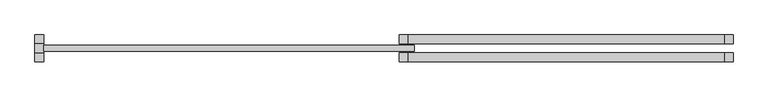
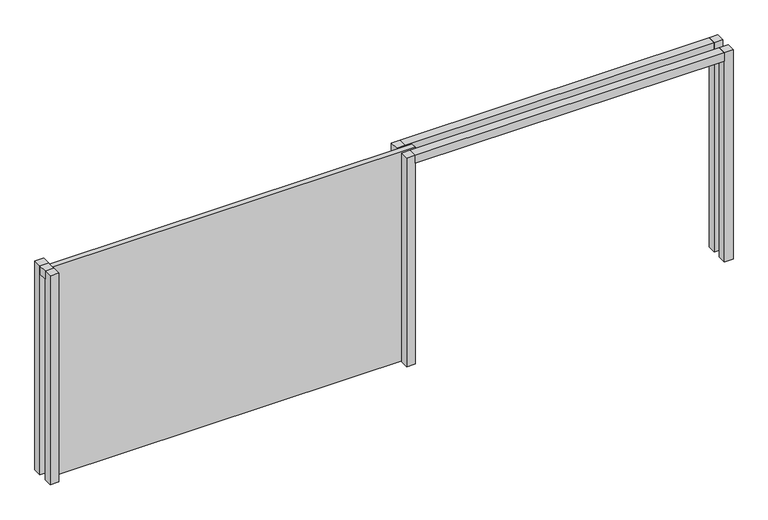
"""IFC4 building model written with IfcOpenShell, lengths in millimetres: proxy geometry."""

import ifcopenshell
import ifcopenshell.guid

model = None  # the IFC model being written
_history = None  # IfcOwnerHistory: only IFC2X3 demands one
_inside = {}  # id of a spatial element -> (the spatial element, [elements in it])
_under = {}  # id of a project, library or spatial element -> (it, [spatial elements below it])
_declared = {}  # id of a project -> (the project, [libraries it declares])
_typed = {}  # id of a type object -> (the type object, [elements of that type])
_made_of = {}  # id of a material, layer set ... -> (it, [elements and type objects made of it])


def new_model(schema):
    """Start an empty IFC model of exactly this schema.

    Asked for "IFC4X3", IfcOpenShell would pick the latest addendum, in which some entities
    have other attributes; the version numbers below select the first issue.
    IFC2X3 requires an IfcOwnerHistory on every rooted entity: one is made here for all.
    """
    global model, _history
    if schema == "IFC4X3":
        model = ifcopenshell.file(schema_version=(4, 3, 0, 0))
    else:
        model = ifcopenshell.file(schema=schema)
    _inside.clear()
    _under.clear()
    _declared.clear()
    _typed.clear()
    _made_of.clear()
    _history = None
    if model.schema == "IFC2X3":
        org = make("IfcOrganization", Name="unknown")
        user = make(
            "IfcPersonAndOrganization",
            ThePerson=make("IfcPerson", FamilyName="unknown"),
            TheOrganization=org,
        )
        app = make(
            "IfcApplication",
            ApplicationDeveloper=org,
            Version="unknown",
            ApplicationFullName="unknown",
            ApplicationIdentifier="unknown",
        )
        _history = make(
            "IfcOwnerHistory",
            OwningUser=user,
            OwningApplication=app,
            ChangeAction="ADDED",
            CreationDate=0,
        )
    return model


def make(cls, **values):
    """One entity of the class cls with the attributes given. An attribute that is None is left unset."""
    return model.create_entity(
        cls, **{name: value for name, value in values.items() if value is not None}
    )


def rooted(cls, **values):
    """An entity with a GlobalId (a new one), such as an element, a storey or a relation."""
    return make(cls, GlobalId=ifcopenshell.guid.new(), OwnerHistory=_history, **values)


def si_unit(unit_type, name, prefix=None):
    """IfcSIUnit, for example si_unit("LENGTHUNIT", "METRE", prefix="MILLI")."""
    return make("IfcSIUnit", UnitType=unit_type, Prefix=prefix, Name=name)


def assignment(units):
    """IfcUnitAssignment: the units of a project."""
    return None if units is None else make("IfcUnitAssignment", Units=units)


def point(xyz):
    """IfcCartesianPoint."""
    return None if xyz is None else make("IfcCartesianPoint", Coordinates=xyz)


def direction(xyz):
    """IfcDirection."""
    return None if xyz is None else make("IfcDirection", DirectionRatios=xyz)


def frame(location, z_axis=None, x_axis=None):
    """IfcAxis2Placement3D, a coordinate frame: its origin and axes. An axis left out is left unset."""
    return make(
        "IfcAxis2Placement3D",
        Location=point(location),
        Axis=direction(z_axis),
        RefDirection=direction(x_axis),
    )


def origin():
    """The frame at (0, 0, 0) with its axes left unset."""
    return frame((0.0, 0.0, 0.0))


def origin_with_axes():
    """The frame at (0, 0, 0) with the z axis (0, 0, 1) and the x axis (1, 0, 0) written out."""
    return frame((0.0, 0.0, 0.0), z_axis=(0.0, 0.0, 1.0), x_axis=(1.0, 0.0, 0.0))


def place(relative_to, where):
    """IfcLocalPlacement: puts the frame where relative to a parent placement (None: the world)."""
    return make(
        "IfcLocalPlacement", PlacementRelTo=relative_to, RelativePlacement=where
    )


def context(
    kind, dimensions, precision=None, world=None, true_north=None, identifier=None
):
    """IfcGeometricRepresentationContext, for example the 3D "Model" context."""
    return make(
        "IfcGeometricRepresentationContext",
        ContextIdentifier=identifier,
        ContextType=kind,
        CoordinateSpaceDimension=dimensions,
        Precision=precision,
        WorldCoordinateSystem=world,
        TrueNorth=true_north,
    )


def project(units=None, contexts=None):
    """IfcProject with its units and contexts."""
    return rooted(
        "IfcProject",
        Name="project",
        RepresentationContexts=contexts,
        UnitsInContext=assignment(units),
    )


def spatial(cls, under=None, at=None, **own):
    """A site, building, storey or space (cls), placed at a placement, below another one or the project."""
    s = rooted(cls, ObjectPlacement=at, **own)
    if under is not None:
        _under.setdefault(under.id(), (under, []))[1].append(s)
    return s


def polyline(points):
    """IfcPolyline through the points."""
    return make("IfcPolyline", Points=[point(p) for p in points])


def outline(outer, holes=None, kind="AREA"):
    """IfcArbitraryClosedProfileDef: a profile drawn as a closed curve; with holes, ...WithVoids."""
    if holes is None:
        return make("IfcArbitraryClosedProfileDef", ProfileType=kind, OuterCurve=outer)
    return make(
        "IfcArbitraryProfileDefWithVoids",
        ProfileType=kind,
        OuterCurve=outer,
        InnerCurves=holes,
    )


def extrude(swept, where, along, depth):
    """IfcExtrudedAreaSolid: the profile swept, set in the frame where, extruded along a direction by depth."""
    return make(
        "IfcExtrudedAreaSolid",
        SweptArea=swept,
        Position=where,
        ExtrudedDirection=direction(along),
        Depth=depth,
    )


def shape(context_of_items, identifier, shape_type, items):
    """IfcShapeRepresentation: the items that make up one representation, for example the "Body"."""
    return make(
        "IfcShapeRepresentation",
        ContextOfItems=context_of_items,
        RepresentationIdentifier=identifier,
        RepresentationType=shape_type,
        Items=items,
    )


def source(mapping_origin, context_of_items, identifier, shape_type, items):
    """IfcRepresentationMap: a shape defined once, which mapped items show again and again."""
    return make(
        "IfcRepresentationMap",
        MappingOrigin=mapping_origin,
        MappedRepresentation=shape(context_of_items, identifier, shape_type, items),
    )


def transform(
    local_origin,
    x_axis=None,
    y_axis=None,
    z_axis=None,
    scale=None,
    scale2=None,
    scale3=None,
    uniform=True,
):
    """IfcCartesianTransformationOperator3D, or its non-uniform kind. x_axis, y_axis, z_axis: its Axis1, 2, 3."""
    if uniform:
        return make(
            "IfcCartesianTransformationOperator3D",
            Axis1=direction(x_axis),
            Axis2=direction(y_axis),
            LocalOrigin=point(local_origin),
            Scale=scale,
            Axis3=direction(z_axis),
        )
    return make(
        "IfcCartesianTransformationOperator3DnonUniform",
        Axis1=direction(x_axis),
        Axis2=direction(y_axis),
        LocalOrigin=point(local_origin),
        Scale=scale,
        Axis3=direction(z_axis),
        Scale2=scale2,
        Scale3=scale3,
    )


def mapped(mapping_source, mapping_target):
    """IfcMappedItem: shows the shape of a source again, moved by a transform."""
    return make(
        "IfcMappedItem", MappingSource=mapping_source, MappingTarget=mapping_target
    )


def made_of(thing, what):
    """Note that an element or type object is made of a material, layer set ...; save() writes the relation."""
    if what is not None:
        _made_of.setdefault(what.id(), (what, []))[1].append(thing)
    return thing


def element(
    cls,
    number,
    at=None,
    inside=None,
    cuts=None,
    type_object=None,
    material=None,
    context=None,
    identifier="Body",
    shape_type=None,
    held_by="IfcProductDefinitionShape",
    body=None,
    shapes=None,
    **own,
):
    """One element of the class cls, such as IfcWall. Its Tag is "e" and its number.

    at: its placement. inside: the storey or other place that contains it. cuts: it is an
    opening in that element (IfcRelVoidsElement). A single representation is given by context,
    identifier, shape_type and body (its items); several are given by shapes. held_by: the class
    of the entity that holds the representations. save() writes the other relations.
    """
    e = rooted(cls, Tag="e%d" % number, ObjectPlacement=at, **own)
    if body is not None:
        shapes = [shape(context, identifier, shape_type, body)]
    if shapes is not None:
        e.Representation = make(held_by, Representations=shapes)
    if inside is not None:
        _inside.setdefault(inside.id(), (inside, []))[1].append(e)
    if cuts is not None:
        rooted(
            "IfcRelVoidsElement", RelatingBuildingElement=cuts, RelatedOpeningElement=e
        )
    if type_object is not None:
        _typed.setdefault(type_object.id(), (type_object, []))[1].append(e)
    return made_of(e, material)


def aggregate(whole, parts):
    """IfcRelAggregates: a whole, such as a stair, and the parts it consists of."""
    return rooted("IfcRelAggregates", RelatingObject=whole, RelatedObjects=parts)


def save(model, path):
    """Write the relations noted so far, then the file.

    IfcRelAggregates (storeys below a building ...), IfcRelContainedInSpatialStructure (elements
    in a storey), IfcRelDefinesByType, IfcRelAssociatesMaterial and IfcRelDeclares: one each for
    every whole, place, type object, material and project.
    """
    for whole, parts in _under.values():
        aggregate(whole, parts)
    for where, things in _inside.values():
        rooted(
            "IfcRelContainedInSpatialStructure",
            RelatedElements=things,
            RelatingStructure=where,
        )
    for kind, things in _typed.values():
        rooted("IfcRelDefinesByType", RelatedObjects=things, RelatingType=kind)
    for what, things in _made_of.values():
        rooted("IfcRelAssociatesMaterial", RelatedObjects=things, RelatingMaterial=what)
    for by, libraries in _declared.values():
        rooted("IfcRelDeclares", RelatingContext=by, RelatedDefinitions=libraries)
    model.write(path)


def generic_models_c8b78408(model_context):
    return source(origin(), model_context, "Body", "SweptSolid", [
        extrude(outline(polyline([(4640.0, -60.0), (8872.4691778, -60.0), (8872.4691778, -180.0), (4640.0, -180.0), (4640.0, -60.0)])), frame((0.0, 0.0, 2910.0), z_axis=(0.0, 0.0, 1.0), x_axis=(1.0, 0.0, 0.0)), (0.0, 0.0, 1.0), 120.0),
        extrude(outline(polyline([(4640.0, 180.0), (8872.4691778, 180.0), (8872.4691778, 60.0), (4640.0, 60.0), (4640.0, 180.0)])), frame((0.0, 0.0, 2910.0), z_axis=(0.0, 0.0, 1.0), x_axis=(1.0, 0.0, 0.0)), (0.0, 0.0, 1.0), 120.0),
        extrude(outline(polyline([(8992.4691778, -60.0), (8992.4691778, -180.0), (8872.4691778, -180.0), (8872.4691778, -60.0), (8992.4691778, -60.0)])), origin_with_axes(), (0.0, 0.0, 1.0), 3030.0),
        extrude(outline(polyline([(8992.4691778, 180.0), (8992.4691778, 60.0), (8872.4691778, 60.0), (8872.4691778, 180.0), (8992.4691778, 180.0)])), origin_with_axes(), (0.0, 0.0, 1.0), 3030.0),
        extrude(outline(polyline([(4640.0, -60.0), (4640.0, -180.0), (4520.0, -180.0), (4520.0, -60.0), (4640.0, -60.0)])), origin_with_axes(), (0.0, 0.0, 1.0), 3030.0),
        extrude(outline(polyline([(4640.0, 180.0), (4640.0, 60.0), (4520.0, 60.0), (4520.0, 180.0), (4640.0, 180.0)])), origin_with_axes(), (0.0, 0.0, 1.0), 3030.0),
        extrude(outline(polyline([(4720.0, 40.0), (4720.0, -40.0), (-244.6197661, -40.0), (-244.6197661, 40.0), (4720.0, 40.0)])), origin_with_axes(), (0.0, 0.0, 1.0), 3030.0),
        extrude(outline(polyline([(-244.6197661, -60.0), (-364.6197661, -60.0), (-364.6197661, 60.0), (-244.6197661, 60.0), (-244.6197661, -60.0)])), frame((0.0, 0.0, 2910.0), z_axis=(0.0, 0.0, 1.0), x_axis=(1.0, 0.0, 0.0)), (0.0, 0.0, 1.0), 120.0),
        extrude(outline(polyline([(-244.6197661, -60.0), (-244.6197661, -180.0), (-364.6197661, -180.0), (-364.6197661, -60.0), (-244.6197661, -60.0)])), origin_with_axes(), (0.0, 0.0, 1.0), 3030.0),
        extrude(outline(polyline([(-244.6197661, 180.0), (-244.6197661, 60.0), (-364.6197661, 60.0), (-364.6197661, 180.0), (-244.6197661, 180.0)])), origin_with_axes(), (0.0, 0.0, 1.0), 3030.0),
    ])


if __name__ == "__main__":
    model = new_model("IFC4")
    model_context = context("Model", 3, world=origin())
    ifc_project = project(units=[si_unit("LENGTHUNIT", "METRE", prefix="MILLI")], contexts=[model_context])
    site = spatial("IfcSite", under=ifc_project)
    building = spatial("IfcBuilding", under=site)
    placement = place(None, origin())
    generic_models_shape = generic_models_c8b78408(model_context)
    element("IfcBuildingElementProxy", 1, Name="Generic Models", at=placement, inside=building, context=model_context, shape_type="MappedRepresentation", body=[
        mapped(generic_models_shape, transform((0.0, 0.0, 0.0), x_axis=(1.0, 0.0, 0.0), y_axis=(0.0, 1.0, 0.0), z_axis=(0.0, 0.0, 1.0))),
    ])
    save(model, "model.ifc")
